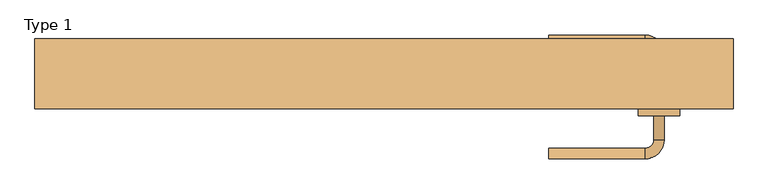
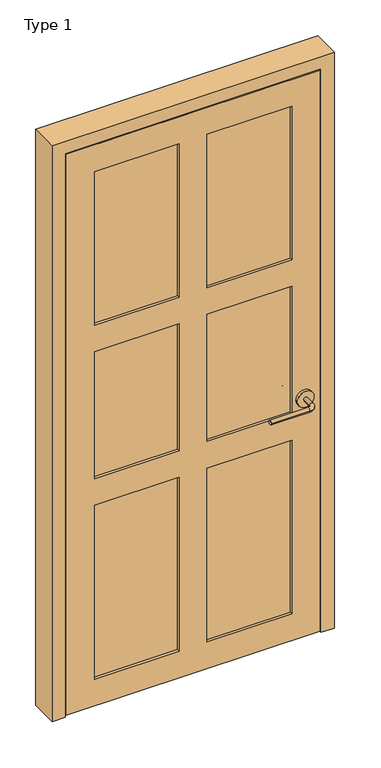
"""IFC4 building model written with IfcOpenShell, lengths in millimetres: door geometry, Type 1."""

import ifcopenshell
import ifcopenshell.guid

model = None  # the IFC model being written
_history = None  # IfcOwnerHistory: only IFC2X3 demands one
_inside = {}  # id of a spatial element -> (the spatial element, [elements in it])
_under = {}  # id of a project, library or spatial element -> (it, [spatial elements below it])
_declared = {}  # id of a project -> (the project, [libraries it declares])
_typed = {}  # id of a type object -> (the type object, [elements of that type])
_made_of = {}  # id of a material, layer set ... -> (it, [elements and type objects made of it])


def new_model(schema):
    """Start an empty IFC model of exactly this schema.

    Asked for "IFC4X3", IfcOpenShell would pick the latest addendum, in which some entities
    have other attributes; the version numbers below select the first issue.
    IFC2X3 requires an IfcOwnerHistory on every rooted entity: one is made here for all.
    """
    global model, _history
    if schema == "IFC4X3":
        model = ifcopenshell.file(schema_version=(4, 3, 0, 0))
    else:
        model = ifcopenshell.file(schema=schema)
    _inside.clear()
    _under.clear()
    _declared.clear()
    _typed.clear()
    _made_of.clear()
    _history = None
    if model.schema == "IFC2X3":
        org = make("IfcOrganization", Name="unknown")
        user = make(
            "IfcPersonAndOrganization",
            ThePerson=make("IfcPerson", FamilyName="unknown"),
            TheOrganization=org,
        )
        app = make(
            "IfcApplication",
            ApplicationDeveloper=org,
            Version="unknown",
            ApplicationFullName="unknown",
            ApplicationIdentifier="unknown",
        )
        _history = make(
            "IfcOwnerHistory",
            OwningUser=user,
            OwningApplication=app,
            ChangeAction="ADDED",
            CreationDate=0,
        )
    return model


def make(cls, **values):
    """One entity of the class cls with the attributes given. An attribute that is None is left unset."""
    return model.create_entity(
        cls, **{name: value for name, value in values.items() if value is not None}
    )


def rooted(cls, **values):
    """An entity with a GlobalId (a new one), such as an element, a storey or a relation."""
    return make(cls, GlobalId=ifcopenshell.guid.new(), OwnerHistory=_history, **values)


def si_unit(unit_type, name, prefix=None):
    """IfcSIUnit, for example si_unit("LENGTHUNIT", "METRE", prefix="MILLI")."""
    return make("IfcSIUnit", UnitType=unit_type, Prefix=prefix, Name=name)


def assignment(units):
    """IfcUnitAssignment: the units of a project."""
    return None if units is None else make("IfcUnitAssignment", Units=units)


def point(xyz):
    """IfcCartesianPoint."""
    return None if xyz is None else make("IfcCartesianPoint", Coordinates=xyz)


def direction(xyz):
    """IfcDirection."""
    return None if xyz is None else make("IfcDirection", DirectionRatios=xyz)


def frame(location, z_axis=None, x_axis=None):
    """IfcAxis2Placement3D, a coordinate frame: its origin and axes. An axis left out is left unset."""
    return make(
        "IfcAxis2Placement3D",
        Location=point(location),
        Axis=direction(z_axis),
        RefDirection=direction(x_axis),
    )


def frame_2d(location, x_axis=None):
    """IfcAxis2Placement2D, a coordinate frame in the plane: its origin and x axis."""
    return make(
        "IfcAxis2Placement2D", Location=point(location), RefDirection=direction(x_axis)
    )


def origin():
    """The frame at (0, 0, 0) with its axes left unset."""
    return frame((0.0, 0.0, 0.0))


def place(relative_to, where):
    """IfcLocalPlacement: puts the frame where relative to a parent placement (None: the world)."""
    return make(
        "IfcLocalPlacement", PlacementRelTo=relative_to, RelativePlacement=where
    )


def context(
    kind, dimensions, precision=None, world=None, true_north=None, identifier=None
):
    """IfcGeometricRepresentationContext, for example the 3D "Model" context."""
    return make(
        "IfcGeometricRepresentationContext",
        ContextIdentifier=identifier,
        ContextType=kind,
        CoordinateSpaceDimension=dimensions,
        Precision=precision,
        WorldCoordinateSystem=world,
        TrueNorth=true_north,
    )


def project(units=None, contexts=None):
    """IfcProject with its units and contexts."""
    return rooted(
        "IfcProject",
        Name="project",
        RepresentationContexts=contexts,
        UnitsInContext=assignment(units),
    )


def spatial(cls, under=None, at=None, **own):
    """A site, building, storey or space (cls), placed at a placement, below another one or the project."""
    s = rooted(cls, ObjectPlacement=at, **own)
    if under is not None:
        _under.setdefault(under.id(), (under, []))[1].append(s)
    return s


def circle_curve(where, radius):
    """IfcCircle in the frame where."""
    return make("IfcCircle", Position=where, Radius=radius)


def ellipse_curve(where, semi_axis1, semi_axis2):
    """IfcEllipse in the frame where."""
    return make(
        "IfcEllipse", Position=where, SemiAxis1=semi_axis1, SemiAxis2=semi_axis2
    )


def trimmed(basis, trim1, trim2, sense, master):
    """IfcTrimmedCurve: the piece of a basis curve between two trims."""
    return make(
        "IfcTrimmedCurve",
        BasisCurve=basis,
        Trim1=trim1,
        Trim2=trim2,
        SenseAgreement=sense,
        MasterRepresentation=master,
    )


def segment(curve, same_sense, transition):
    """IfcCompositeCurveSegment."""
    return make(
        "IfcCompositeCurveSegment",
        Transition=transition,
        SameSense=same_sense,
        ParentCurve=curve,
    )


def composite_curve(segments, self_intersect=None):
    """IfcCompositeCurve: segments joined end to end."""
    return make("IfcCompositeCurve", Segments=segments, SelfIntersect=self_intersect)


def outline(outer, holes=None, kind="AREA"):
    """IfcArbitraryClosedProfileDef: a profile drawn as a closed curve; with holes, ...WithVoids."""
    if holes is None:
        return make("IfcArbitraryClosedProfileDef", ProfileType=kind, OuterCurve=outer)
    return make(
        "IfcArbitraryProfileDefWithVoids",
        ProfileType=kind,
        OuterCurve=outer,
        InnerCurves=holes,
    )


def extrude(swept, where, along, depth):
    """IfcExtrudedAreaSolid: the profile swept, set in the frame where, extruded along a direction by depth."""
    return make(
        "IfcExtrudedAreaSolid",
        SweptArea=swept,
        Position=where,
        ExtrudedDirection=direction(along),
        Depth=depth,
    )


def faces_of(points, faces, orient=None, outer=None):
    """IfcFace entities. A face is a list of loops; a loop is a list of indices into points, from 0.

    orient and outer hold one flag for each loop. By default every Orientation is true, the
    first loop of a face is its IfcFaceOuterBound and the others are IfcFaceBound.
    """
    made = []
    for i, loops in enumerate(faces):
        bounds = []
        for j, loop in enumerate(loops):
            is_outer = j == 0 if outer is None else outer[i][j]
            bounds.append(
                make(
                    "IfcFaceOuterBound" if is_outer else "IfcFaceBound",
                    Bound=make("IfcPolyLoop", Polygon=[points[k] for k in loop]),
                    Orientation=True if orient is None else orient[i][j],
                )
            )
        made.append(make("IfcFace", Bounds=bounds))
    return made


def faceted_brep(points, faces, orient=None, outer=None, voids=None):
    """IfcFacetedBrep: a solid bounded by flat faces; with voids (closed shells), ...WithVoids."""
    shared = [point(p) for p in points]
    hull = make("IfcClosedShell", CfsFaces=faces_of(shared, faces, orient, outer))
    if voids is None:
        return make("IfcFacetedBrep", Outer=hull)
    return make(
        "IfcFacetedBrepWithVoids",
        Outer=hull,
        Voids=[
            make(cls, CfsFaces=faces_of(shared, fs, o, b)) for cls, fs, o, b in voids
        ],
    )


def shape(context_of_items, identifier, shape_type, items):
    """IfcShapeRepresentation: the items that make up one representation, for example the "Body"."""
    return make(
        "IfcShapeRepresentation",
        ContextOfItems=context_of_items,
        RepresentationIdentifier=identifier,
        RepresentationType=shape_type,
        Items=items,
    )


def source(mapping_origin, context_of_items, identifier, shape_type, items):
    """IfcRepresentationMap: a shape defined once, which mapped items show again and again."""
    return make(
        "IfcRepresentationMap",
        MappingOrigin=mapping_origin,
        MappedRepresentation=shape(context_of_items, identifier, shape_type, items),
    )


def transform(
    local_origin,
    x_axis=None,
    y_axis=None,
    z_axis=None,
    scale=None,
    scale2=None,
    scale3=None,
    uniform=True,
):
    """IfcCartesianTransformationOperator3D, or its non-uniform kind. x_axis, y_axis, z_axis: its Axis1, 2, 3."""
    if uniform:
        return make(
            "IfcCartesianTransformationOperator3D",
            Axis1=direction(x_axis),
            Axis2=direction(y_axis),
            LocalOrigin=point(local_origin),
            Scale=scale,
            Axis3=direction(z_axis),
        )
    return make(
        "IfcCartesianTransformationOperator3DnonUniform",
        Axis1=direction(x_axis),
        Axis2=direction(y_axis),
        LocalOrigin=point(local_origin),
        Scale=scale,
        Axis3=direction(z_axis),
        Scale2=scale2,
        Scale3=scale3,
    )


def mapped(mapping_source, mapping_target):
    """IfcMappedItem: shows the shape of a source again, moved by a transform."""
    return make(
        "IfcMappedItem", MappingSource=mapping_source, MappingTarget=mapping_target
    )


def made_of(thing, what):
    """Note that an element or type object is made of a material, layer set ...; save() writes the relation."""
    if what is not None:
        _made_of.setdefault(what.id(), (what, []))[1].append(thing)
    return thing


def element(
    cls,
    number,
    at=None,
    inside=None,
    cuts=None,
    type_object=None,
    material=None,
    context=None,
    identifier="Body",
    shape_type=None,
    held_by="IfcProductDefinitionShape",
    body=None,
    shapes=None,
    **own,
):
    """One element of the class cls, such as IfcWall. Its Tag is "e" and its number.

    at: its placement. inside: the storey or other place that contains it. cuts: it is an
    opening in that element (IfcRelVoidsElement). A single representation is given by context,
    identifier, shape_type and body (its items); several are given by shapes. held_by: the class
    of the entity that holds the representations. save() writes the other relations.
    """
    e = rooted(cls, Tag="e%d" % number, ObjectPlacement=at, **own)
    if body is not None:
        shapes = [shape(context, identifier, shape_type, body)]
    if shapes is not None:
        e.Representation = make(held_by, Representations=shapes)
    if inside is not None:
        _inside.setdefault(inside.id(), (inside, []))[1].append(e)
    if cuts is not None:
        rooted(
            "IfcRelVoidsElement", RelatingBuildingElement=cuts, RelatedOpeningElement=e
        )
    if type_object is not None:
        _typed.setdefault(type_object.id(), (type_object, []))[1].append(e)
    return made_of(e, material)


def aggregate(whole, parts):
    """IfcRelAggregates: a whole, such as a stair, and the parts it consists of."""
    return rooted("IfcRelAggregates", RelatingObject=whole, RelatedObjects=parts)


def save(model, path):
    """Write the relations noted so far, then the file.

    IfcRelAggregates (storeys below a building ...), IfcRelContainedInSpatialStructure (elements
    in a storey), IfcRelDefinesByType, IfcRelAssociatesMaterial and IfcRelDeclares: one each for
    every whole, place, type object, material and project.
    """
    for whole, parts in _under.values():
        aggregate(whole, parts)
    for where, things in _inside.values():
        rooted(
            "IfcRelContainedInSpatialStructure",
            RelatedElements=things,
            RelatingStructure=where,
        )
    for kind, things in _typed.values():
        rooted("IfcRelDefinesByType", RelatedObjects=things, RelatingType=kind)
    for what, things in _made_of.values():
        rooted("IfcRelAssociatesMaterial", RelatedObjects=things, RelatingMaterial=what)
    for by, libraries in _declared.values():
        rooted("IfcRelDeclares", RelatingContext=by, RelatedDefinitions=libraries)
    model.write(path)


def plane_surface(at):
    """IfcPlane: the flat surface through the origin of the frame at, square to its z axis."""
    return make("IfcPlane", Position=at)


def cylinder_surface(at, radius):
    """IfcCylindricalSurface: all points at the distance radius from the z axis of the frame at."""
    return make("IfcCylindricalSurface", Position=at, Radius=radius)


def revolved_surface(curve, axis_point, axis_direction):
    """IfcSurfaceOfRevolution: the curve turned about the line through axis_point along axis_direction."""
    return make(
        "IfcSurfaceOfRevolution",
        SweptCurve=make("IfcArbitraryOpenProfileDef", ProfileType="CURVE", Curve=curve),
        AxisPosition=make("IfcAxis1Placement", Location=point(axis_point), Axis=direction(axis_direction)),
    )


def advanced_brep(points, edges, surfaces, faces):
    """IfcAdvancedBrep: a solid bounded by faces that lie on surfaces and meet in shared edges.

    An edge is (start, end): straight between two places in points (the first is 0);
    or (start, end, curve); or (start, end, curve, False) where it runs against its curve.
    A face is (place in surfaces, loops), or (place, loops, False) where it looks against
    its surface's normal. A loop lists edges by number (the first is 1), with a minus sign
    where the edge is run from its end to its start. The first loop is the outer one.
    """
    corners = [point(p) for p in points]
    vertices = [make("IfcVertexPoint", VertexGeometry=c) for c in corners]
    made = []
    for start, end, *more in edges:
        made.append(
            make(
                "IfcEdgeCurve",
                EdgeStart=vertices[start],
                EdgeEnd=vertices[end],
                EdgeGeometry=more[0] if more else make("IfcPolyline", Points=[corners[start], corners[end]]),
                SameSense=more[1] if len(more) > 1 else True,
            )
        )
    hull = []
    for where, loops, *sense in faces:
        bounds = []
        for j, loop in enumerate(loops):
            ring = [make("IfcOrientedEdge", EdgeElement=made[abs(k) - 1], Orientation=k > 0) for k in loop]
            bounds.append(
                make(
                    "IfcFaceOuterBound" if j == 0 else "IfcFaceBound",
                    Bound=make("IfcEdgeLoop", EdgeList=ring),
                    Orientation=True,
                )
            )
        hull.append(make("IfcAdvancedFace", Bounds=bounds, FaceSurface=surfaces[where], SameSense=sense[0] if sense else True))
    return make("IfcAdvancedBrep", Outer=make("IfcClosedShell", CfsFaces=hull))


def type_1_db7a27d1(model_context):
    return source(origin(), model_context, "Body", "SolidModel", [
        advanced_brep(
        [(509.0006555, -8.1295325, 914.4), (494.0006555, -8.1295325, 914.4), (509.0006555, 26.8704675, 914.4), (494.0006555, 26.8704675, 914.4), (481.5006555, 39.3704675, 914.4), (481.5006555, 54.3704675, 914.4), (341.5006555, 54.3704675, 914.4), (341.5006555, 39.3704675, 914.4)],
        [
            (0, 1, circle_curve(frame((501.5006555, -8.1295325, 914.4), z_axis=(0.0, -1.0, 0.0), x_axis=(-1.0, 0.0, 0.0)), 7.5)),
            (1, 0, circle_curve(frame((501.5006555, -8.1295325, 914.4), z_axis=(0.0, -1.0, 0.0), x_axis=(-1.0, 0.0, 0.0)), 7.5)),
            (0, 2),
            (2, 3, circle_curve(frame((501.5006555, 26.8704675, 914.4), z_axis=(0.0, -1.0, 0.0), x_axis=(-1.0, 0.0, 0.0)), 7.5)),
            (3, 1),
            (3, 2, circle_curve(frame((501.5006555, 26.8704675, 914.4), z_axis=(0.0, -1.0, 0.0), x_axis=(-1.0, 0.0, 0.0)), 7.5)),
            (4, 3, circle_curve(frame((481.5006555, 26.8704675, 914.4), z_axis=(0.0, 0.0, -1.0), x_axis=(1.0, 0.0, 0.0)), 12.5)),
            (2, 5, circle_curve(frame((481.5006555, 26.8704675, 914.4), z_axis=(0.0, 0.0, 1.0), x_axis=(1.0, 0.0, 0.0)), 27.5)),
            (5, 4, circle_curve(frame((481.5006555, 46.8704675, 914.4), z_axis=(1.0, 0.0, 0.0), x_axis=(0.0, -1.0, 0.0)), 7.5)),
            (4, 5, circle_curve(frame((481.5006555, 46.8704675, 914.4), z_axis=(1.0, 0.0, 0.0), x_axis=(0.0, -1.0, 0.0)), 7.5)),
            (6, 7, circle_curve(frame((341.5006555, 46.8704675, 914.4), z_axis=(-1.0, 0.0, 0.0), x_axis=(0.0, -1.0, 0.0)), 7.5)),
            (7, 6, circle_curve(frame((341.5006555, 46.8704675, 914.4), z_axis=(-1.0, 0.0, 0.0), x_axis=(0.0, -1.0, 0.0)), 7.5)),
            (5, 6),
            (7, 4),
        ],
        [
            plane_surface(frame((501.5006555, -8.1295325, 914.4), z_axis=(0.0, -1.0, 0.0), x_axis=(0.0, 0.0, 1.0))),
            cylinder_surface(frame((501.5006555, -8.1295325, 914.4), z_axis=(0.0, -1.0, 0.0), x_axis=(-1.0, 0.0, 0.0)), 7.5),
            revolved_surface(trimmed(ellipse_curve(frame((501.5006555, 26.8704675, 914.4), z_axis=(0.0, -1.0, 0.0), x_axis=(-1.0, 0.0, 0.0)), 7.5, 7.5), [point((509.0006555, 26.8704675, 914.4))], [point((494.0006555, 26.8704675, 914.4))], True, "CARTESIAN"), (481.5006555, 26.8704675, 914.4), (0.0, 0.0, 1.0)),
            revolved_surface(trimmed(ellipse_curve(frame((501.5006555, 26.8704675, 914.4), z_axis=(0.0, -1.0, 0.0), x_axis=(-1.0, 0.0, 0.0)), 7.5, 7.5), [point((494.0006555, 26.8704675, 914.4))], [point((509.0006555, 26.8704675, 914.4))], True, "CARTESIAN"), (481.5006555, 26.8704675, 914.4), (0.0, 0.0, 1.0)),
            plane_surface(frame((341.5006555, 46.8704675, 914.4), z_axis=(-1.0, 0.0, 0.0), x_axis=(0.0, 0.0, 1.0))),
            cylinder_surface(frame((481.5006555, 46.8704675, 914.4), z_axis=(1.0, 0.0, 0.0), x_axis=(0.0, -1.0, 0.0)), 7.5),
        ],
        [
            (0, [[1, 2]]),
            (1, [[-1, 3, 4, 5]]),
            (1, [[-2, -5, 6, -3]]),
            (2, [[7, -4, 8, 9]]),
            (3, [[-8, -6, -7, 10]]),
            (4, [[11, 12]]),
            (5, [[-9, 13, -12, 14]]),
            (5, [[-10, -14, -11, -13]]),
        ],
    ),
        extrude(outline(composite_curve([segment(trimmed(circle_curve(frame_2d((914.4, 501.5006555)), 30.0), [point((914.4, 531.5006555))], [point((914.4, 471.5006555))], False, "CARTESIAN"), True, "CONTINUOUS"), segment(trimmed(circle_curve(frame_2d((914.4, 501.5006555)), 30.0), [point((914.4, 471.5006555))], [point((914.4, 531.5006555))], False, "CARTESIAN"), True, "CONTINUOUS")], self_intersect=False)), frame((0.0, -18.1295325, 0.0), z_axis=(0.0, 1.0, 0.0), x_axis=(0.0, 0.0, 1.0)), (0.0, 0.0, 1.0), 10.0),
        advanced_brep(
        [(509.0006555, -63.0545325, 914.4), (494.0006555, -63.0545325, 914.4), (494.0006555, -98.0545325, 914.4), (509.0006555, -98.0545325, 914.4), (481.5006555, -110.5545325, 914.4), (481.5006555, -125.5545325, 914.4), (341.5006555, -125.5545325, 914.4), (341.5006555, -110.5545325, 914.4)],
        [
            (0, 1, circle_curve(frame((501.5006555, -63.0545325, 914.4), z_axis=(0.0, 1.0, 0.0), x_axis=(-1.0, 0.0, 0.0)), 7.5)),
            (1, 0, circle_curve(frame((501.5006555, -63.0545325, 914.4), z_axis=(0.0, 1.0, 0.0), x_axis=(-1.0, 0.0, 0.0)), 7.5)),
            (1, 2),
            (2, 3, circle_curve(frame((501.5006555, -98.0545325, 914.4), z_axis=(0.0, 1.0, 0.0), x_axis=(-1.0, 0.0, 0.0)), 7.5)),
            (3, 0),
            (3, 2, circle_curve(frame((501.5006555, -98.0545325, 914.4), z_axis=(0.0, 1.0, 0.0), x_axis=(-1.0, 0.0, 0.0)), 7.5)),
            (4, 5, circle_curve(frame((481.5006555, -118.0545325, 914.4), z_axis=(1.0, 0.0, 0.0), x_axis=(0.0, 1.0, 0.0)), 7.5)),
            (5, 3, circle_curve(frame((481.5006555, -98.0545325, 914.4), z_axis=(0.0, 0.0, 1.0), x_axis=(1.0, 0.0, 0.0)), 27.5)),
            (2, 4, circle_curve(frame((481.5006555, -98.0545325, 914.4), z_axis=(0.0, 0.0, -1.0), x_axis=(1.0, 0.0, 0.0)), 12.5)),
            (5, 4, circle_curve(frame((481.5006555, -118.0545325, 914.4), z_axis=(1.0, 0.0, 0.0), x_axis=(0.0, 1.0, 0.0)), 7.5)),
            (6, 7, circle_curve(frame((341.5006555, -118.0545325, 914.4), z_axis=(-1.0, 0.0, 0.0), x_axis=(0.0, 1.0, 0.0)), 7.5)),
            (7, 6, circle_curve(frame((341.5006555, -118.0545325, 914.4), z_axis=(-1.0, 0.0, 0.0), x_axis=(0.0, 1.0, 0.0)), 7.5)),
            (4, 7),
            (6, 5),
        ],
        [
            plane_surface(frame((501.5006555, -63.0545325, 914.4), z_axis=(0.0, 1.0, 0.0), x_axis=(0.0, 0.0, 1.0))),
            cylinder_surface(frame((501.5006555, -63.0545325, 914.4), z_axis=(0.0, 1.0, 0.0), x_axis=(-1.0, 0.0, 0.0)), 7.5),
            revolved_surface(trimmed(ellipse_curve(frame((501.5006555, -98.0545325, 914.4), z_axis=(0.0, -1.0, 0.0), x_axis=(-1.0, 0.0, 0.0)), 7.5, 7.5), [point((509.0006555, -98.0545325, 914.4))], [point((494.0006555, -98.0545325, 914.4))], True, "CARTESIAN"), (481.5006555, -98.0545325, 914.4), (0.0, 0.0, 1.0)),
            revolved_surface(trimmed(ellipse_curve(frame((501.5006555, -98.0545325, 914.4), z_axis=(0.0, -1.0, 0.0), x_axis=(-1.0, 0.0, 0.0)), 7.5, 7.5), [point((494.0006555, -98.0545325, 914.4))], [point((509.0006555, -98.0545325, 914.4))], True, "CARTESIAN"), (481.5006555, -98.0545325, 914.4), (0.0, 0.0, 1.0)),
            plane_surface(frame((341.5006555, -118.0545325, 914.4), z_axis=(-1.0, 0.0, 0.0), x_axis=(0.0, 0.0, 1.0))),
            cylinder_surface(frame((481.5006555, -118.0545325, 914.4), z_axis=(1.0, 0.0, 0.0), x_axis=(0.0, 1.0, 0.0)), 7.5),
        ],
        [
            (0, [[1, 2]]),
            (1, [[3, 4, 5, -2]]),
            (1, [[-5, 6, -3, -1]]),
            (2, [[7, 8, -4, 9]]),
            (3, [[10, -9, -6, -8]]),
            (4, [[11, 12]]),
            (5, [[13, -11, 14, -7]]),
            (5, [[-14, -12, -13, -10]]),
        ],
    ),
        extrude(outline(composite_curve([segment(trimmed(circle_curve(frame_2d((914.4, 501.5006555)), 30.0), [point((914.4, 531.5006555))], [point((914.4, 471.5006555))], False, "CARTESIAN"), True, "CONTINUOUS"), segment(trimmed(circle_curve(frame_2d((914.4, 501.5006555)), 30.0), [point((914.4, 471.5006555))], [point((914.4, 531.5006555))], False, "CARTESIAN"), True, "CONTINUOUS")], self_intersect=False)), frame((0.0, -63.0545325, 0.0), z_axis=(0.0, 1.0, 0.0), x_axis=(0.0, 0.0, 1.0)), (0.0, 0.0, 1.0), 10.0),
        faceted_brep([(-355.7493445, -53.0545325, 6.35), (558.6506555, -53.0545325, 6.35), (558.6506555, -53.0545325, 2139.95), (-355.7493445, -53.0545325, 2139.95), (-254.1493445, -53.0545325, 768.35), (50.6506555, -53.0545325, 768.35), (50.6506555, -53.0545325, 107.95), (-254.1493445, -53.0545325, 107.95), (152.2506555, -53.0545325, 768.35), (457.0506555, -53.0545325, 768.35), (457.0506555, -53.0545325, 107.95), (152.2506555, -53.0545325, 107.95), (152.2506555, -53.0545325, 1352.55), (457.0506555, -53.0545325, 1352.55), (457.0506555, -53.0545325, 869.95), (152.2506555, -53.0545325, 869.95), (-254.1493445, -53.0545325, 1352.55), (50.6506555, -53.0545325, 1352.55), (50.6506555, -53.0545325, 869.95), (-254.1493445, -53.0545325, 869.95), (152.2506555, -53.0545325, 2038.35), (457.0506555, -53.0545325, 2038.35), (457.0506555, -53.0545325, 1454.15), (152.2506555, -53.0545325, 1454.15), (-254.1493445, -53.0545325, 2038.35), (50.6506555, -53.0545325, 2038.35), (50.6506555, -53.0545325, 1454.15), (-254.1493445, -53.0545325, 1454.15), (-355.7493445, -18.1295325, 6.35), (-355.7493445, -18.1295325, 2139.95), (558.6506555, -18.1295325, 2139.95), (558.6506555, -18.1295325, 6.35), (152.2506555, -18.1295325, 869.95), (457.0506555, -18.1295325, 869.95), (457.0506555, -18.1295325, 1352.55), (152.2506555, -18.1295325, 1352.55), (-254.1493445, -18.1295325, 869.95), (50.6506555, -18.1295325, 869.95), (50.6506555, -18.1295325, 1352.55), (-254.1493445, -18.1295325, 1352.55), (-254.1493445, -18.1295325, 107.95), (50.6506555, -18.1295325, 107.95), (50.6506555, -18.1295325, 768.35), (-254.1493445, -18.1295325, 768.35), (152.2506555, -18.1295325, 107.95), (457.0506555, -18.1295325, 107.95), (457.0506555, -18.1295325, 768.35), (152.2506555, -18.1295325, 768.35), (152.2506555, -18.1295325, 1454.15), (457.0506555, -18.1295325, 1454.15), (457.0506555, -18.1295325, 2038.35), (152.2506555, -18.1295325, 2038.35), (-254.1493445, -18.1295325, 1454.15), (50.6506555, -18.1295325, 1454.15), (50.6506555, -18.1295325, 2038.35), (-254.1493445, -18.1295325, 2038.35), (152.2506555, -43.0545325, 1352.55), (152.2506555, -43.0545325, 869.95), (457.0506555, -43.0545325, 869.95), (457.0506555, -43.0545325, 1352.55), (-254.1493445, -43.0545325, 1352.55), (-254.1493445, -43.0545325, 869.95), (50.6506555, -43.0545325, 869.95), (50.6506555, -43.0545325, 1352.55), (-254.1493445, -43.0545325, 768.35), (-254.1493445, -43.0545325, 107.95), (50.6506555, -43.0545325, 107.95), (50.6506555, -43.0545325, 768.35), (152.2506555, -43.0545325, 768.35), (152.2506555, -43.0545325, 107.95), (457.0506555, -43.0545325, 107.95), (457.0506555, -43.0545325, 768.35), (152.2506555, -28.1295325, 869.95), (152.2506555, -28.1295325, 1352.55), (457.0506555, -28.1295325, 1352.55), (457.0506555, -28.1295325, 869.95), (-254.1493445, -28.1295325, 869.95), (-254.1493445, -28.1295325, 1352.55), (50.6506555, -28.1295325, 1352.55), (50.6506555, -28.1295325, 869.95), (-254.1493445, -28.1295325, 107.95), (-254.1493445, -28.1295325, 768.35), (50.6506555, -28.1295325, 768.35), (50.6506555, -28.1295325, 107.95), (152.2506555, -28.1295325, 107.95), (152.2506555, -28.1295325, 768.35), (457.0506555, -28.1295325, 768.35), (457.0506555, -28.1295325, 107.95), (152.2506555, -43.0545325, 2038.35), (152.2506555, -43.0545325, 1454.15), (457.0506555, -43.0545325, 1454.15), (457.0506555, -43.0545325, 2038.35), (-254.1493445, -43.0545325, 2038.35), (-254.1493445, -43.0545325, 1454.15), (50.6506555, -43.0545325, 1454.15), (50.6506555, -43.0545325, 2038.35), (152.2506555, -28.1295325, 2038.35), (457.0506555, -28.1295325, 2038.35), (457.0506555, -28.1295325, 1454.15), (152.2506555, -28.1295325, 1454.15), (-254.1493445, -28.1295325, 2038.35), (50.6506555, -28.1295325, 2038.35), (50.6506555, -28.1295325, 1454.15), (-254.1493445, -28.1295325, 1454.15)], [[[0, 1, 2, 3], [4, 5, 6, 7], [8, 9, 10, 11], [12, 13, 14, 15], [16, 17, 18, 19], [20, 21, 22, 23], [24, 25, 26, 27]], [[28, 29, 30, 31], [32, 33, 34, 35], [36, 37, 38, 39], [40, 41, 42, 43], [44, 45, 46, 47], [48, 49, 50, 51], [52, 53, 54, 55]], [[3, 29, 28, 0]], [[2, 30, 29, 3]], [[1, 31, 30, 2]], [[0, 28, 31, 1]], [[56, 12, 15, 57]], [[57, 15, 14, 58]], [[58, 14, 13, 59]], [[60, 16, 19, 61]], [[61, 19, 18, 62]], [[62, 18, 17, 63]], [[64, 4, 7, 65]], [[65, 7, 6, 66]], [[66, 6, 5, 67]], [[67, 5, 4, 64]], [[68, 8, 11, 69]], [[69, 11, 10, 70]], [[70, 10, 9, 71]], [[71, 9, 8, 68]], [[72, 32, 35, 73]], [[74, 34, 33, 75]], [[75, 33, 32, 72]], [[76, 36, 39, 77]], [[78, 38, 37, 79]], [[79, 37, 36, 76]], [[80, 40, 43, 81]], [[81, 43, 42, 82]], [[82, 42, 41, 83]], [[83, 41, 40, 80]], [[84, 44, 47, 85]], [[85, 47, 46, 86]], [[86, 46, 45, 87]], [[87, 45, 44, 84]], [[56, 57, 58, 59]], [[60, 61, 62, 63]], [[64, 65, 66, 67]], [[68, 69, 70, 71]], [[73, 74, 75, 72]], [[77, 78, 79, 76]], [[81, 82, 83, 80]], [[85, 86, 87, 84]], [[59, 13, 12, 56]], [[63, 17, 16, 60]], [[73, 35, 34, 74]], [[77, 39, 38, 78]], [[88, 89, 90, 91]], [[88, 20, 23, 89]], [[89, 23, 22, 90]], [[90, 22, 21, 91]], [[91, 21, 20, 88]], [[92, 93, 94, 95]], [[92, 24, 27, 93]], [[93, 27, 26, 94]], [[94, 26, 25, 95]], [[95, 25, 24, 92]], [[96, 97, 98, 99]], [[99, 48, 51, 96]], [[98, 49, 48, 99]], [[97, 50, 49, 98]], [[96, 51, 50, 97]], [[100, 101, 102, 103]], [[103, 52, 55, 100]], [[102, 53, 52, 103]], [[101, 54, 53, 102]], [[100, 55, 54, 101]]]),
        faceted_brep([(-406.5493445, -53.0545325, 0.0), (-406.5493445, 48.5454675, 0.0), (-358.9243445, 48.5454675, 0.0), (-358.9243445, 10.4454675, 0.0), (-346.2243445, 10.4454675, 0.0), (-346.2243445, -14.9545325, 0.0), (-358.9243445, -14.9545325, 0.0), (-358.9243445, -53.0545325, 0.0), (-358.9243445, -14.9545325, 2143.125), (-358.9243445, -53.0545325, 2143.125), (-346.2243445, 10.4454675, 2130.425), (-346.2243445, -14.9545325, 2130.425), (-358.9243445, 48.5454675, 2143.125), (-358.9243445, 10.4454675, 2143.125), (609.4506555, -53.0545325, 2190.75), (609.4506555, -53.0545325, 0.0), (609.4506555, 48.5454675, 0.0), (609.4506555, 48.5454675, 2190.75), (561.8256555, 48.5454675, 0.0), (561.8256555, 48.5454675, 2143.125), (-406.5493445, 48.5454675, 2190.75), (561.8256555, -53.0545325, 0.0), (561.8256555, -14.9545325, 0.0), (549.1256555, -14.9545325, 0.0), (549.1256555, 10.4454675, 0.0), (561.8256555, 10.4454675, 0.0), (-406.5493445, -53.0545325, 2190.75), (561.8256555, -53.0545325, 2143.125), (561.8256555, 10.4454675, 2143.125), (549.1256555, 10.4454675, 2130.425), (549.1256555, -14.9545325, 2130.425), (561.8256555, -14.9545325, 2143.125)], [[[0, 1, 2, 3, 4, 5, 6, 7]], [[6, 8, 9, 7]], [[4, 10, 11, 5]], [[2, 12, 13, 3]], [[14, 15, 16, 17]], [[17, 16, 18, 19, 12, 2, 1, 20]], [[15, 21, 22, 23, 24, 25, 18, 16]], [[26, 0, 7, 9, 27, 21, 15, 14]], [[20, 1, 0, 26]], [[25, 28, 19, 18]], [[3, 13, 28, 25, 24, 29, 10, 4]], [[23, 30, 29, 24]], [[5, 11, 30, 23, 22, 31, 8, 6]], [[21, 27, 31, 22]], [[17, 20, 26, 14]], [[12, 19, 28, 13]], [[10, 29, 30, 11]], [[8, 31, 27, 9]]]),
    ])


if __name__ == "__main__":
    model = new_model("IFC4")
    model_context = context("Model", 3, world=origin())
    ifc_project = project(units=[si_unit("LENGTHUNIT", "METRE", prefix="MILLI")], contexts=[model_context])
    site = spatial("IfcSite", under=ifc_project)
    building = spatial("IfcBuilding", under=site)
    placement = place(None, origin())
    type_1_shape = type_1_db7a27d1(model_context)
    element("IfcDoor", 1, ObjectType="Type 1", at=placement, inside=building, context=model_context, shape_type="MappedRepresentation", body=[
        mapped(type_1_shape, transform((0.0, 0.0, 0.0), x_axis=(1.0, 0.0, 0.0), y_axis=(0.0, 1.0, 0.0), z_axis=(0.0, 0.0, 1.0))),
    ])
    save(model, "model.ifc")
